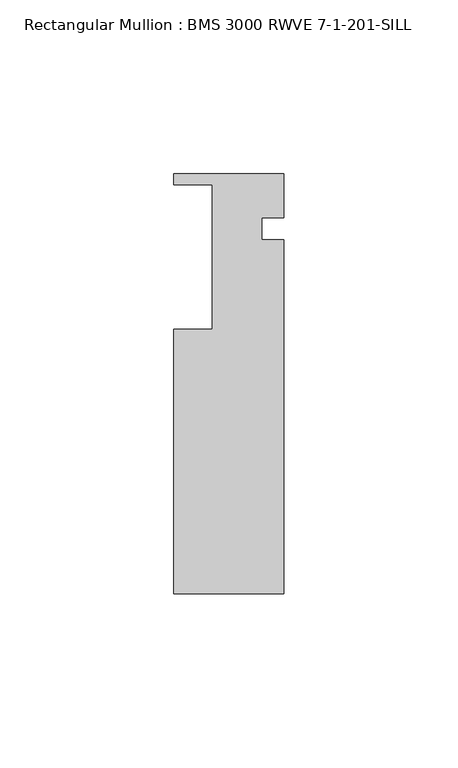
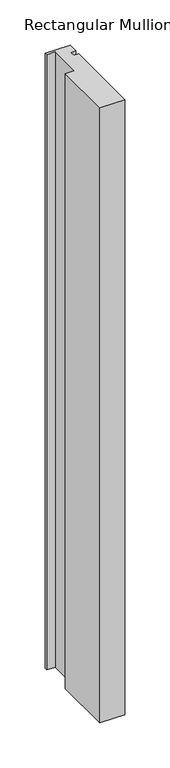
"""IFC4 building model written with IfcOpenShell, lengths in millimetres: member geometry, Rectangular Mullion : BMS 3000 RWVE 7-1-201-SILL."""

from ifc_helpers import new_model, si_unit, frame, origin, place, context, project, spatial, polyline, outline, extrude, source, transform, mapped, element, save


def rectangular_mullion_bms_3000_rwve_7_1_201_sill_6cfab3d8(model_context):
    return source(origin(), model_context, "Body", "SweptSolid", [
        extrude(outline(polyline([(-31.7542023, -127.5957419), (-31.7542023, -51.3953125), (-20.6297451, -51.3953125), (-20.6251503, -9.7663695), (-31.7503502, -9.7651416), (-31.7499998, -6.5901416), (0.0, -6.593646), (-0.0014018, -19.2936459), (-6.3514017, -19.2929451), (-6.3521026, -25.642945), (-0.0021026, -25.6436459), (-0.013356, -127.5992453), (-31.7542023, -127.5957419)])), frame((0.0, 0.0, -830.659375), z_axis=(0.0, 0.0, 1.0), x_axis=(1.0, 0.0, 0.0)), (0.0, 0.0, 1.0), 830.659375),
    ])


if __name__ == "__main__":
    model = new_model("IFC4")
    model_context = context("Model", 3, world=origin())
    ifc_project = project(units=[si_unit("LENGTHUNIT", "METRE", prefix="MILLI")], contexts=[model_context])
    site = spatial("IfcSite", under=ifc_project)
    building = spatial("IfcBuilding", under=site)
    placement = place(None, origin())
    rectangular_mullion_bms_3000_rwve_7_1_201_sill_shape = rectangular_mullion_bms_3000_rwve_7_1_201_sill_6cfab3d8(model_context)
    element("IfcMember", 1, ObjectType="Rectangular Mullion : BMS 3000 RWVE 7-1-201-SILL", at=placement, inside=building, context=model_context, shape_type="MappedRepresentation", body=[
        mapped(rectangular_mullion_bms_3000_rwve_7_1_201_sill_shape, transform((0.0, 0.0, 0.0), x_axis=(1.0, 0.0, 0.0), y_axis=(0.0, 1.0, 0.0), z_axis=(0.0, 0.0, 1.0))),
    ])
    save(model, "model.ifc")
